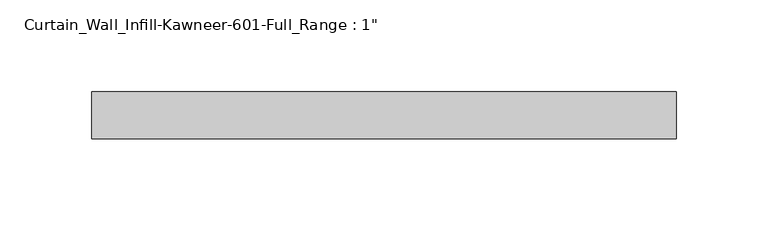
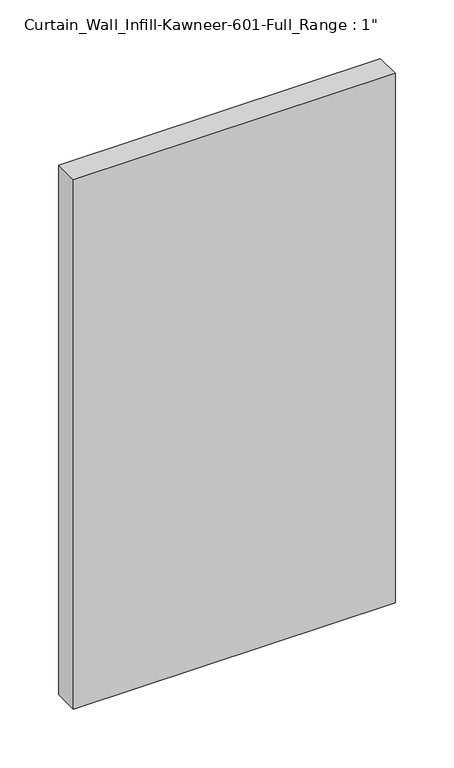
"""IFC4 building model written with IfcOpenShell, lengths in millimetres: plate geometry."""

from ifc_helpers import new_model, si_unit, origin, origin_with_axes, place, context, project, spatial, polyline, outline, extrude, source, transform, mapped, element, save


def plate_f8d980a1(model_context):
    return source(origin(), model_context, "Body", "SweptSolid", [
        extrude(outline(polyline([(-158.75, 12.7), (158.75, 12.7), (158.75, -12.7), (-158.75, -12.7), (-158.75, 12.7)])), origin_with_axes(), (0.0, 0.0, 1.0), 552.45),
    ])


if __name__ == "__main__":
    model = new_model("IFC4")
    model_context = context("Model", 3, world=origin())
    ifc_project = project(units=[si_unit("LENGTHUNIT", "METRE", prefix="MILLI")], contexts=[model_context])
    site = spatial("IfcSite", under=ifc_project)
    building = spatial("IfcBuilding", under=site)
    placement = place(None, origin())
    plate_shape = plate_f8d980a1(model_context)
    element("IfcPlate", 1, ObjectType="Curtain_Wall_Infill-Kawneer-601-Full_Range : 1\"", at=placement, inside=building, context=model_context, shape_type="MappedRepresentation", body=[
        mapped(plate_shape, transform((0.0, 0.0, 0.0), x_axis=(1.0, 0.0, 0.0), y_axis=(0.0, 1.0, 0.0), z_axis=(0.0, 0.0, 1.0))),
    ])
    save(model, "model.ifc")
